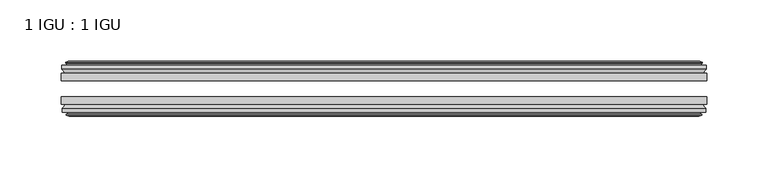
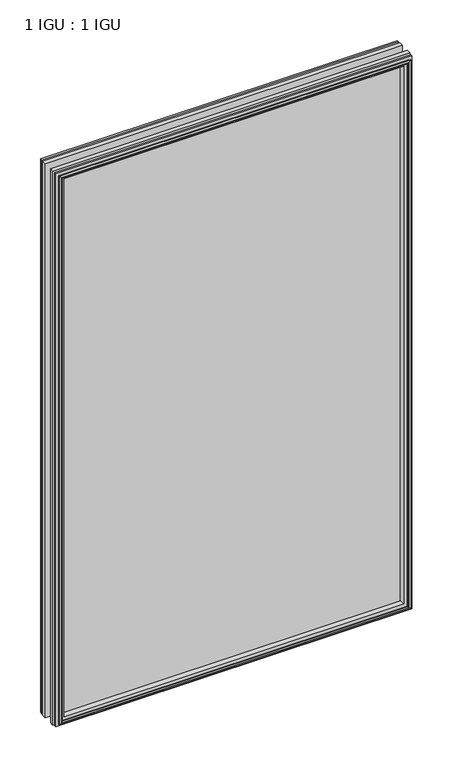
"""IFC4 building model written with IfcOpenShell, lengths in millimetres: plate geometry, 1 IGU : 1 IGU."""

from ifc_helpers import new_model, si_unit, frame, origin, place, context, project, spatial, polyline, outline, extrude, faceted_brep, source, transform, mapped, element, save


def plate_1_igu_1_igu_c9e55738(model_context):
    return source(origin(), model_context, "Body", "SolidModel", [
        extrude(outline(polyline([(263.5317469, -25.8960937), (263.5317469, -32.2460938), (-263.5317469, -32.2460938), (-263.5317469, -25.8960937), (263.5317469, -25.8960937)])), frame((0.0, 0.0, -12.7), z_axis=(0.0, 0.0, 1.0), x_axis=(1.0, 0.0, 0.0)), (0.0, 0.0, 1.0), 863.6),
        extrude(outline(polyline([(-263.5317469, -51.2960938), (-263.5317469, -45.2686737), (263.5317469, -45.2686737), (263.5317469, -51.2960938), (-263.5317469, -51.2960938)])), frame((0.0, 0.0, -12.7), z_axis=(0.0, 0.0, 1.0), x_axis=(1.0, 0.0, 0.0)), (0.0, 0.0, 1.0), 863.6),
        faceted_brep([(-257.9437469, -60.0262907, 845.312), (-258.3247469, -57.6460937, 845.693), (-258.3247469, -57.6460937, -7.493), (-257.9437469, -60.0262907, -7.112), (-259.3592759, -59.5663575, 846.727529), (-259.3592759, -59.5663575, -8.5275291), (-259.3592759, -60.3675717, 846.727529), (-259.3592759, -60.3675717, -8.5275291), (-257.1817469, -61.0750937, 844.55), (-257.1817469, -61.0750937, -6.35), (-255.0042178, -60.3675717, 842.3724709), (-255.0042178, -60.3675717, -4.1724709), (-255.0042178, -59.5663575, 842.3724709), (-255.0042178, -59.5663575, -4.1724709), (-256.4197469, -60.0262907, 843.788), (-256.4197469, -60.0262907, -5.588), (-256.0387469, -57.6460937, 843.407), (-256.0387469, -57.6460937, -5.207), (-249.1140288, -51.2960937, 836.4822819), (-250.8317469, -57.6460937, 838.2), (-250.8317469, -57.6460937, 0.0), (-249.1140288, -51.2960937, 1.7177181), (-262.7697469, -54.6996937, 850.138), (-259.9354047, -51.2960937, 847.3036578), (-259.9354047, -51.2960937, -9.1036578), (-262.7697469, -54.6996937, -11.938), (-262.7697469, -57.6460937, 850.138), (-262.7697469, -57.6460937, -11.938), (258.3247469, -57.6460938, -7.493), (257.9437469, -60.0262907, -7.112), (259.3592759, -59.5663575, -8.5275291), (259.3592759, -60.3675717, -8.5275291), (257.1817469, -61.0750937, -6.35), (255.0042178, -60.3675717, -4.1724709), (255.0042178, -59.5663575, -4.1724709), (256.4197469, -60.0262907, -5.588), (256.0387469, -57.6460937, -5.207), (250.8317469, -57.6460937, 0.0), (249.1140288, -51.2960937, 1.7177181), (259.9354047, -51.2960937, -9.1036578), (262.7697469, -54.6996937, -11.938), (262.7697469, -57.6460938, -11.938), (258.3247469, -57.6460938, 845.693), (257.9437469, -60.0262907, 845.312), (259.3592759, -59.5663575, 846.727529), (259.3592759, -60.3675717, 846.727529), (257.1817469, -61.0750937, 844.55), (255.0042178, -60.3675717, 842.3724709), (255.0042178, -59.5663575, 842.3724709), (256.4197469, -60.0262907, 843.788), (256.0387469, -57.6460937, 843.407), (250.8317469, -57.6460937, 838.2), (249.1140288, -51.2960937, 836.4822819), (259.9354047, -51.2960937, 847.3036578), (262.7697469, -54.6996937, 850.138), (262.7697469, -57.6460938, 850.138)], [[[0, 1, 2, 3]], [[4, 0, 3, 5]], [[6, 4, 5, 7]], [[8, 6, 7, 9]], [[10, 8, 9, 11]], [[12, 10, 11, 13]], [[14, 12, 13, 15]], [[16, 14, 15, 17]], [[18, 19, 20, 21]], [[22, 23, 24, 25]], [[26, 22, 25, 27]], [[3, 2, 28, 29]], [[5, 3, 29, 30]], [[7, 5, 30, 31]], [[9, 7, 31, 32]], [[11, 9, 32, 33]], [[13, 11, 33, 34]], [[15, 13, 34, 35]], [[17, 15, 35, 36]], [[21, 20, 37, 38]], [[25, 24, 39, 40]], [[27, 25, 40, 41]], [[29, 28, 42, 43]], [[30, 29, 43, 44]], [[31, 30, 44, 45]], [[32, 31, 45, 46]], [[33, 32, 46, 47]], [[34, 33, 47, 48]], [[35, 34, 48, 49]], [[36, 35, 49, 50]], [[38, 37, 51, 52]], [[40, 39, 53, 54]], [[41, 40, 54, 55]], [[27, 41, 55, 26], [1, 42, 28, 2]], [[43, 42, 1, 0]], [[44, 43, 0, 4]], [[45, 44, 4, 6]], [[46, 45, 6, 8]], [[47, 46, 8, 10]], [[48, 47, 10, 12]], [[49, 48, 12, 14]], [[50, 49, 14, 16]], [[17, 36, 50, 16], [19, 51, 37, 20]], [[52, 51, 19, 18]], [[23, 53, 39, 24], [21, 38, 52, 18]], [[54, 53, 23, 22]], [[55, 54, 22, 26]]]),
        faceted_brep([(-260.4561047, -25.8960937, 847.8243578), (-263.2904469, -22.4924937, 850.6587), (-263.2904469, -22.4924937, -12.4587), (-260.4561047, -25.8960937, -9.6243578), (-251.3524469, -19.5460937, 838.7207), (-249.6347288, -25.8960937, 837.0029819), (-249.6347288, -25.8960937, 1.1970181), (-251.3524469, -19.5460937, -0.5207), (-256.9404469, -17.1658968, 844.3087), (-256.5594469, -19.5460937, 843.9277), (-256.5594469, -19.5460937, -5.7277), (-256.9404469, -17.1658968, -6.1087), (-255.5249178, -17.62583, 842.8931709), (-255.5249178, -17.62583, -4.6931709), (-255.5249178, -16.8246158, 842.8931709), (-255.5249178, -16.8246158, -4.6931709), (-257.7024469, -16.1170937, 845.0707), (-257.7024469, -16.1170937, -6.8707), (-259.8799759, -16.8246158, 847.248229), (-259.8799759, -16.8246158, -9.0482291), (-259.8799759, -17.62583, 847.248229), (-259.8799759, -17.62583, -9.0482291), (-258.4644469, -17.1658968, 845.8327), (-258.4644469, -17.1658968, -7.6327), (-258.8454469, -19.5460937, 846.2137), (-258.8454469, -19.5460937, -8.0137), (-263.2904469, -19.5460937, 850.6587), (-263.2904469, -19.5460937, -12.4587), (263.2904469, -22.4924937, -12.4587), (260.4561047, -25.8960937, -9.6243578), (249.6347288, -25.8960937, 1.1970181), (251.3524469, -19.5460937, -0.5207), (256.5594469, -19.5460937, -5.7277), (256.9404469, -17.1658968, -6.1087), (255.5249178, -17.62583, -4.6931709), (255.5249178, -16.8246158, -4.6931709), (257.7024469, -16.1170937, -6.8707), (259.8799759, -16.8246158, -9.0482291), (259.8799759, -17.62583, -9.0482291), (258.4644469, -17.1658968, -7.6327), (258.8454469, -19.5460937, -8.0137), (263.2904469, -19.5460937, -12.4587), (263.2904469, -22.4924937, 850.6587), (260.4561047, -25.8960937, 847.8243578), (249.6347288, -25.8960937, 837.0029819), (251.3524469, -19.5460937, 838.7207), (256.5594469, -19.5460937, 843.9277), (256.9404469, -17.1658968, 844.3087), (255.5249178, -17.62583, 842.8931709), (255.5249178, -16.8246158, 842.8931709), (257.7024469, -16.1170937, 845.0707), (259.8799759, -16.8246158, 847.248229), (259.8799759, -17.62583, 847.248229), (258.4644469, -17.1658968, 845.8327), (258.8454469, -19.5460937, 846.2137), (263.2904469, -19.5460937, 850.6587)], [[[0, 1, 2, 3]], [[4, 5, 6, 7]], [[8, 9, 10, 11]], [[12, 8, 11, 13]], [[14, 12, 13, 15]], [[16, 14, 15, 17]], [[18, 16, 17, 19]], [[20, 18, 19, 21]], [[22, 20, 21, 23]], [[24, 22, 23, 25]], [[1, 26, 27, 2]], [[3, 2, 28, 29]], [[7, 6, 30, 31]], [[11, 10, 32, 33]], [[13, 11, 33, 34]], [[15, 13, 34, 35]], [[17, 15, 35, 36]], [[19, 17, 36, 37]], [[21, 19, 37, 38]], [[23, 21, 38, 39]], [[25, 23, 39, 40]], [[2, 27, 41, 28]], [[29, 28, 42, 43]], [[31, 30, 44, 45]], [[33, 32, 46, 47]], [[34, 33, 47, 48]], [[35, 34, 48, 49]], [[36, 35, 49, 50]], [[37, 36, 50, 51]], [[38, 37, 51, 52]], [[39, 38, 52, 53]], [[40, 39, 53, 54]], [[28, 41, 55, 42]], [[43, 42, 1, 0]], [[3, 29, 43, 0], [5, 44, 30, 6]], [[45, 44, 5, 4]], [[9, 46, 32, 10], [7, 31, 45, 4]], [[47, 46, 9, 8]], [[48, 47, 8, 12]], [[49, 48, 12, 14]], [[50, 49, 14, 16]], [[51, 50, 16, 18]], [[52, 51, 18, 20]], [[53, 52, 20, 22]], [[54, 53, 22, 24]], [[26, 55, 41, 27], [25, 40, 54, 24]], [[42, 55, 26, 1]]]),
    ])


if __name__ == "__main__":
    model = new_model("IFC4")
    model_context = context("Model", 3, world=origin())
    ifc_project = project(units=[si_unit("LENGTHUNIT", "METRE", prefix="MILLI")], contexts=[model_context])
    site = spatial("IfcSite", under=ifc_project)
    building = spatial("IfcBuilding", under=site)
    placement = place(None, origin())
    plate_1_igu_1_igu_shape = plate_1_igu_1_igu_c9e55738(model_context)
    element("IfcPlate", 1, ObjectType="1 IGU : 1 IGU", at=placement, inside=building, context=model_context, shape_type="MappedRepresentation", body=[
        mapped(plate_1_igu_1_igu_shape, transform((0.0, 0.0, 0.0), x_axis=(1.0, 0.0, 0.0), y_axis=(0.0, 1.0, 0.0), z_axis=(0.0, 0.0, 1.0))),
    ])
    save(model, "model.ifc")
